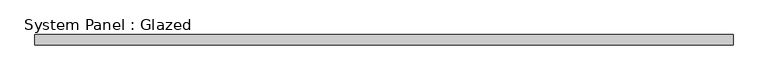
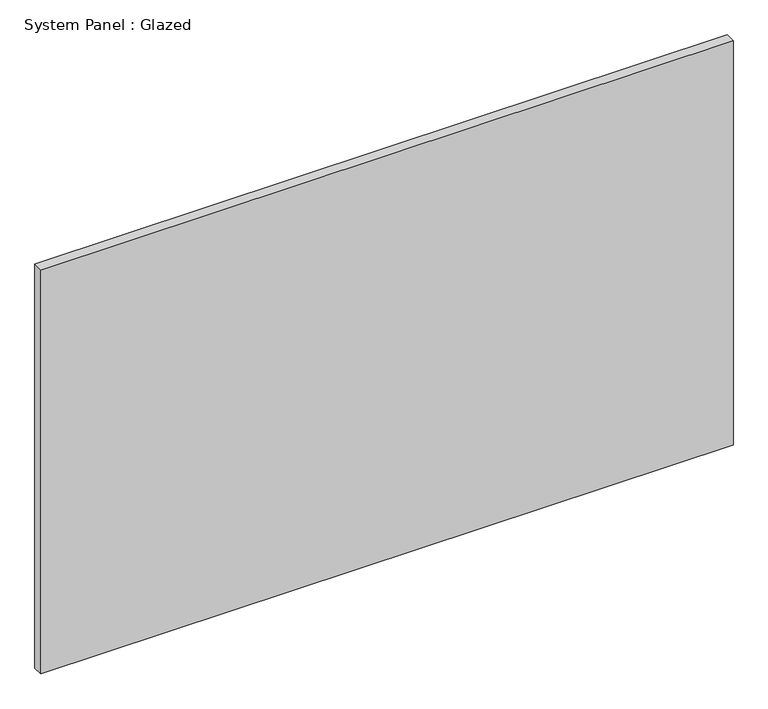
"""IFC4 building model written with IfcOpenShell, lengths in millimetres: plate geometry, System Panel : Glazed."""

import ifcopenshell
import ifcopenshell.guid

model = None  # the IFC model being written
_history = None  # IfcOwnerHistory: only IFC2X3 demands one
_inside = {}  # id of a spatial element -> (the spatial element, [elements in it])
_under = {}  # id of a project, library or spatial element -> (it, [spatial elements below it])
_declared = {}  # id of a project -> (the project, [libraries it declares])
_typed = {}  # id of a type object -> (the type object, [elements of that type])
_made_of = {}  # id of a material, layer set ... -> (it, [elements and type objects made of it])


def new_model(schema):
    """Start an empty IFC model of exactly this schema.

    Asked for "IFC4X3", IfcOpenShell would pick the latest addendum, in which some entities
    have other attributes; the version numbers below select the first issue.
    IFC2X3 requires an IfcOwnerHistory on every rooted entity: one is made here for all.
    """
    global model, _history
    if schema == "IFC4X3":
        model = ifcopenshell.file(schema_version=(4, 3, 0, 0))
    else:
        model = ifcopenshell.file(schema=schema)
    _inside.clear()
    _under.clear()
    _declared.clear()
    _typed.clear()
    _made_of.clear()
    _history = None
    if model.schema == "IFC2X3":
        org = make("IfcOrganization", Name="unknown")
        user = make(
            "IfcPersonAndOrganization",
            ThePerson=make("IfcPerson", FamilyName="unknown"),
            TheOrganization=org,
        )
        app = make(
            "IfcApplication",
            ApplicationDeveloper=org,
            Version="unknown",
            ApplicationFullName="unknown",
            ApplicationIdentifier="unknown",
        )
        _history = make(
            "IfcOwnerHistory",
            OwningUser=user,
            OwningApplication=app,
            ChangeAction="ADDED",
            CreationDate=0,
        )
    return model


def make(cls, **values):
    """One entity of the class cls with the attributes given. An attribute that is None is left unset."""
    return model.create_entity(
        cls, **{name: value for name, value in values.items() if value is not None}
    )


def rooted(cls, **values):
    """An entity with a GlobalId (a new one), such as an element, a storey or a relation."""
    return make(cls, GlobalId=ifcopenshell.guid.new(), OwnerHistory=_history, **values)


def si_unit(unit_type, name, prefix=None):
    """IfcSIUnit, for example si_unit("LENGTHUNIT", "METRE", prefix="MILLI")."""
    return make("IfcSIUnit", UnitType=unit_type, Prefix=prefix, Name=name)


def assignment(units):
    """IfcUnitAssignment: the units of a project."""
    return None if units is None else make("IfcUnitAssignment", Units=units)


def point(xyz):
    """IfcCartesianPoint."""
    return None if xyz is None else make("IfcCartesianPoint", Coordinates=xyz)


def direction(xyz):
    """IfcDirection."""
    return None if xyz is None else make("IfcDirection", DirectionRatios=xyz)


def frame(location, z_axis=None, x_axis=None):
    """IfcAxis2Placement3D, a coordinate frame: its origin and axes. An axis left out is left unset."""
    return make(
        "IfcAxis2Placement3D",
        Location=point(location),
        Axis=direction(z_axis),
        RefDirection=direction(x_axis),
    )


def origin():
    """The frame at (0, 0, 0) with its axes left unset."""
    return frame((0.0, 0.0, 0.0))


def origin_with_axes():
    """The frame at (0, 0, 0) with the z axis (0, 0, 1) and the x axis (1, 0, 0) written out."""
    return frame((0.0, 0.0, 0.0), z_axis=(0.0, 0.0, 1.0), x_axis=(1.0, 0.0, 0.0))


def place(relative_to, where):
    """IfcLocalPlacement: puts the frame where relative to a parent placement (None: the world)."""
    return make(
        "IfcLocalPlacement", PlacementRelTo=relative_to, RelativePlacement=where
    )


def context(
    kind, dimensions, precision=None, world=None, true_north=None, identifier=None
):
    """IfcGeometricRepresentationContext, for example the 3D "Model" context."""
    return make(
        "IfcGeometricRepresentationContext",
        ContextIdentifier=identifier,
        ContextType=kind,
        CoordinateSpaceDimension=dimensions,
        Precision=precision,
        WorldCoordinateSystem=world,
        TrueNorth=true_north,
    )


def project(units=None, contexts=None):
    """IfcProject with its units and contexts."""
    return rooted(
        "IfcProject",
        Name="project",
        RepresentationContexts=contexts,
        UnitsInContext=assignment(units),
    )


def spatial(cls, under=None, at=None, **own):
    """A site, building, storey or space (cls), placed at a placement, below another one or the project."""
    s = rooted(cls, ObjectPlacement=at, **own)
    if under is not None:
        _under.setdefault(under.id(), (under, []))[1].append(s)
    return s


def polyline(points):
    """IfcPolyline through the points."""
    return make("IfcPolyline", Points=[point(p) for p in points])


def outline(outer, holes=None, kind="AREA"):
    """IfcArbitraryClosedProfileDef: a profile drawn as a closed curve; with holes, ...WithVoids."""
    if holes is None:
        return make("IfcArbitraryClosedProfileDef", ProfileType=kind, OuterCurve=outer)
    return make(
        "IfcArbitraryProfileDefWithVoids",
        ProfileType=kind,
        OuterCurve=outer,
        InnerCurves=holes,
    )


def extrude(swept, where, along, depth):
    """IfcExtrudedAreaSolid: the profile swept, set in the frame where, extruded along a direction by depth."""
    return make(
        "IfcExtrudedAreaSolid",
        SweptArea=swept,
        Position=where,
        ExtrudedDirection=direction(along),
        Depth=depth,
    )


def shape(context_of_items, identifier, shape_type, items):
    """IfcShapeRepresentation: the items that make up one representation, for example the "Body"."""
    return make(
        "IfcShapeRepresentation",
        ContextOfItems=context_of_items,
        RepresentationIdentifier=identifier,
        RepresentationType=shape_type,
        Items=items,
    )


def source(mapping_origin, context_of_items, identifier, shape_type, items):
    """IfcRepresentationMap: a shape defined once, which mapped items show again and again."""
    return make(
        "IfcRepresentationMap",
        MappingOrigin=mapping_origin,
        MappedRepresentation=shape(context_of_items, identifier, shape_type, items),
    )


def transform(
    local_origin,
    x_axis=None,
    y_axis=None,
    z_axis=None,
    scale=None,
    scale2=None,
    scale3=None,
    uniform=True,
):
    """IfcCartesianTransformationOperator3D, or its non-uniform kind. x_axis, y_axis, z_axis: its Axis1, 2, 3."""
    if uniform:
        return make(
            "IfcCartesianTransformationOperator3D",
            Axis1=direction(x_axis),
            Axis2=direction(y_axis),
            LocalOrigin=point(local_origin),
            Scale=scale,
            Axis3=direction(z_axis),
        )
    return make(
        "IfcCartesianTransformationOperator3DnonUniform",
        Axis1=direction(x_axis),
        Axis2=direction(y_axis),
        LocalOrigin=point(local_origin),
        Scale=scale,
        Axis3=direction(z_axis),
        Scale2=scale2,
        Scale3=scale3,
    )


def mapped(mapping_source, mapping_target):
    """IfcMappedItem: shows the shape of a source again, moved by a transform."""
    return make(
        "IfcMappedItem", MappingSource=mapping_source, MappingTarget=mapping_target
    )


def made_of(thing, what):
    """Note that an element or type object is made of a material, layer set ...; save() writes the relation."""
    if what is not None:
        _made_of.setdefault(what.id(), (what, []))[1].append(thing)
    return thing


def element(
    cls,
    number,
    at=None,
    inside=None,
    cuts=None,
    type_object=None,
    material=None,
    context=None,
    identifier="Body",
    shape_type=None,
    held_by="IfcProductDefinitionShape",
    body=None,
    shapes=None,
    **own,
):
    """One element of the class cls, such as IfcWall. Its Tag is "e" and its number.

    at: its placement. inside: the storey or other place that contains it. cuts: it is an
    opening in that element (IfcRelVoidsElement). A single representation is given by context,
    identifier, shape_type and body (its items); several are given by shapes. held_by: the class
    of the entity that holds the representations. save() writes the other relations.
    """
    e = rooted(cls, Tag="e%d" % number, ObjectPlacement=at, **own)
    if body is not None:
        shapes = [shape(context, identifier, shape_type, body)]
    if shapes is not None:
        e.Representation = make(held_by, Representations=shapes)
    if inside is not None:
        _inside.setdefault(inside.id(), (inside, []))[1].append(e)
    if cuts is not None:
        rooted(
            "IfcRelVoidsElement", RelatingBuildingElement=cuts, RelatedOpeningElement=e
        )
    if type_object is not None:
        _typed.setdefault(type_object.id(), (type_object, []))[1].append(e)
    return made_of(e, material)


def aggregate(whole, parts):
    """IfcRelAggregates: a whole, such as a stair, and the parts it consists of."""
    return rooted("IfcRelAggregates", RelatingObject=whole, RelatedObjects=parts)


def save(model, path):
    """Write the relations noted so far, then the file.

    IfcRelAggregates (storeys below a building ...), IfcRelContainedInSpatialStructure (elements
    in a storey), IfcRelDefinesByType, IfcRelAssociatesMaterial and IfcRelDeclares: one each for
    every whole, place, type object, material and project.
    """
    for whole, parts in _under.values():
        aggregate(whole, parts)
    for where, things in _inside.values():
        rooted(
            "IfcRelContainedInSpatialStructure",
            RelatedElements=things,
            RelatingStructure=where,
        )
    for kind, things in _typed.values():
        rooted("IfcRelDefinesByType", RelatedObjects=things, RelatingType=kind)
    for what, things in _made_of.values():
        rooted("IfcRelAssociatesMaterial", RelatedObjects=things, RelatingMaterial=what)
    for by, libraries in _declared.values():
        rooted("IfcRelDeclares", RelatingContext=by, RelatedDefinitions=libraries)
    model.write(path)


def system_panel_glazed_0669cdb0(model_context):
    return source(origin(), model_context, "Body", "SweptSolid", [
        extrude(outline(polyline([(863.6, -12.7), (-863.6, -12.7), (-863.6, 12.7), (863.6, 12.7), (863.6, -12.7)])), origin_with_axes(), (0.0, 0.0, 1.0), 1066.8),
    ])


if __name__ == "__main__":
    model = new_model("IFC4")
    model_context = context("Model", 3, world=origin())
    ifc_project = project(units=[si_unit("LENGTHUNIT", "METRE", prefix="MILLI")], contexts=[model_context])
    site = spatial("IfcSite", under=ifc_project)
    building = spatial("IfcBuilding", under=site)
    placement = place(None, origin())
    system_panel_glazed_shape = system_panel_glazed_0669cdb0(model_context)
    element("IfcPlate", 1, ObjectType="System Panel : Glazed", at=placement, inside=building, context=model_context, shape_type="MappedRepresentation", body=[
        mapped(system_panel_glazed_shape, transform((0.0, 0.0, 0.0), x_axis=(1.0, 0.0, 0.0), y_axis=(0.0, 1.0, 0.0), z_axis=(0.0, 0.0, 1.0))),
    ])
    save(model, "model.ifc")
